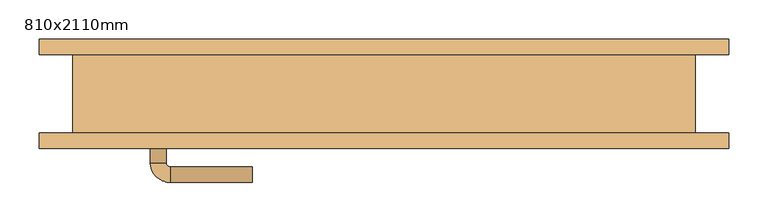
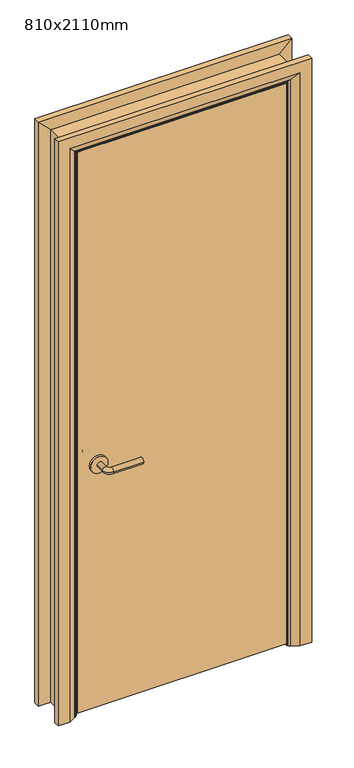
"""IFC4 building model written with IfcOpenShell, lengths in millimetres: door geometry, 810x2110mm."""

from ifc_helpers import new_model, si_unit, point, frame, frame_2d, origin, place, context, project, spatial, polyline, circle_curve, ellipse_curve, trimmed, segment, composite_curve, outline, extrude, faceted_brep, source, transform, mapped, element, save
from ifc_brep_helpers import plane_surface, cylinder_surface, revolved_surface, advanced_brep


def door_810x2110mm_39a6f47d(model_context):
    return source(origin(), model_context, "Body", "SolidModel", [
        advanced_brep(
        [(-298.0, -4.0, 900.0), (-278.0, -4.0, 900.0), (-298.0, 26.0, 900.0), (-278.0, 26.0, 900.0), (-273.0, 31.0, 900.0), (-273.0, 51.0, 900.0), (-168.0, 51.0, 900.0), (-168.0, 31.0, 900.0)],
        [
            (0, 1, circle_curve(frame((-288.0, -4.0, 900.0), z_axis=(0.0, -1.0, 0.0), x_axis=(1.0, 0.0, 0.0)), 10.0)),
            (1, 0, circle_curve(frame((-288.0, -4.0, 900.0), z_axis=(0.0, -1.0, 0.0), x_axis=(1.0, 0.0, 0.0)), 10.0)),
            (0, 2),
            (2, 3, circle_curve(frame((-288.0, 26.0, 900.0), z_axis=(0.0, -1.0, 0.0), x_axis=(1.0, 0.0, 0.0)), 10.0)),
            (3, 1),
            (3, 2, circle_curve(frame((-288.0, 26.0, 900.0), z_axis=(0.0, -1.0, 0.0), x_axis=(1.0, 0.0, 0.0)), 10.0)),
            (4, 3, circle_curve(frame((-273.0, 26.0, 900.0), z_axis=(0.0, 0.0, 1.0), x_axis=(-1.0, 0.0, 0.0)), 5.0)),
            (2, 5, circle_curve(frame((-273.0, 26.0, 900.0), z_axis=(0.0, 0.0, -1.0), x_axis=(-1.0, 0.0, 0.0)), 25.0)),
            (5, 4, circle_curve(frame((-273.0, 41.0, 900.0), z_axis=(-1.0, 0.0, 0.0), x_axis=(0.0, -1.0, 0.0)), 10.0)),
            (4, 5, circle_curve(frame((-273.0, 41.0, 900.0), z_axis=(-1.0, 0.0, 0.0), x_axis=(0.0, -1.0, 0.0)), 10.0)),
            (6, 7, circle_curve(frame((-168.0, 41.0, 900.0), z_axis=(1.0, 0.0, 0.0), x_axis=(0.0, -1.0, 0.0)), 10.0)),
            (7, 6, circle_curve(frame((-168.0, 41.0, 900.0), z_axis=(1.0, 0.0, 0.0), x_axis=(0.0, -1.0, 0.0)), 10.0)),
            (5, 6),
            (7, 4),
        ],
        [
            plane_surface(frame((-288.0, -4.0, 900.0), z_axis=(0.0, -1.0, 0.0), x_axis=(0.0, 0.0, 1.0))),
            cylinder_surface(frame((-288.0, -4.0, 900.0), z_axis=(0.0, -1.0, 0.0), x_axis=(1.0, 0.0, 0.0)), 10.0),
            revolved_surface(trimmed(ellipse_curve(frame((-288.0, 26.0, 900.0), z_axis=(0.0, -1.0, 0.0), x_axis=(1.0, 0.0, 0.0)), 10.0, 10.0), [point((-298.0, 26.0, 900.0))], [point((-278.0, 26.0, 900.0))], True, "CARTESIAN"), (-273.0, 26.0, 900.0), (0.0, 0.0, -1.0)),
            revolved_surface(trimmed(ellipse_curve(frame((-288.0, 26.0, 900.0), z_axis=(0.0, -1.0, 0.0), x_axis=(1.0, 0.0, 0.0)), 10.0, 10.0), [point((-278.0, 26.0, 900.0))], [point((-298.0, 26.0, 900.0))], True, "CARTESIAN"), (-273.0, 26.0, 900.0), (0.0, 0.0, -1.0)),
            plane_surface(frame((-168.0, 41.0, 900.0), z_axis=(1.0, 0.0, 0.0), x_axis=(0.0, 0.0, 1.0))),
            cylinder_surface(frame((-273.0, 41.0, 900.0), z_axis=(-1.0, 0.0, 0.0), x_axis=(0.0, -1.0, 0.0)), 10.0),
        ],
        [
            (0, [[1, 2]]),
            (1, [[-1, 3, 4, 5]]),
            (1, [[-2, -5, 6, -3]]),
            (2, [[7, -4, 8, 9]]),
            (3, [[-8, -6, -7, 10]]),
            (4, [[11, 12]]),
            (5, [[-9, 13, -12, 14]]),
            (5, [[-10, -14, -11, -13]]),
        ],
    ),
        extrude(outline(composite_curve([segment(trimmed(circle_curve(frame_2d((900.0, -290.5)), 30.0), [point((900.0, -320.5))], [point((900.0, -260.5))], False, "CARTESIAN"), True, "CONTINUOUS"), segment(trimmed(circle_curve(frame_2d((900.0, -290.5)), 30.0), [point((900.0, -260.5))], [point((900.0, -320.5))], False, "CARTESIAN"), True, "CONTINUOUS")], self_intersect=False)), frame((0.0, -12.0, 0.0), z_axis=(0.0, 1.0, 0.0), x_axis=(0.0, 0.0, 1.0)), (0.0, 0.0, 1.0), 8.0),
        advanced_brep(
        [(-298.0, -58.0, 900.0), (-278.0, -58.0, 900.0), (-278.0, -88.0, 900.0), (-298.0, -88.0, 900.0), (-273.0, -93.0, 900.0), (-273.0, -113.0, 900.0), (-168.0, -113.0, 900.0), (-168.0, -93.0, 900.0)],
        [
            (0, 1, circle_curve(frame((-288.0, -58.0, 900.0), z_axis=(0.0, 1.0, 0.0), x_axis=(1.0, 0.0, 0.0)), 10.0)),
            (1, 0, circle_curve(frame((-288.0, -58.0, 900.0), z_axis=(0.0, 1.0, 0.0), x_axis=(1.0, 0.0, 0.0)), 10.0)),
            (1, 2),
            (2, 3, circle_curve(frame((-288.0, -88.0, 900.0), z_axis=(0.0, 1.0, 0.0), x_axis=(1.0, 0.0, 0.0)), 10.0)),
            (3, 0),
            (3, 2, circle_curve(frame((-288.0, -88.0, 900.0), z_axis=(0.0, 1.0, 0.0), x_axis=(1.0, 0.0, 0.0)), 10.0)),
            (4, 5, circle_curve(frame((-273.0, -103.0, 900.0), z_axis=(-1.0, 0.0, 0.0), x_axis=(0.0, 1.0, 0.0)), 10.0)),
            (5, 3, circle_curve(frame((-273.0, -88.0, 900.0), z_axis=(0.0, 0.0, -1.0), x_axis=(-1.0, 0.0, 0.0)), 25.0)),
            (2, 4, circle_curve(frame((-273.0, -88.0, 900.0), z_axis=(0.0, 0.0, 1.0), x_axis=(-1.0, 0.0, 0.0)), 5.0)),
            (5, 4, circle_curve(frame((-273.0, -103.0, 900.0), z_axis=(-1.0, 0.0, 0.0), x_axis=(0.0, 1.0, 0.0)), 10.0)),
            (6, 7, circle_curve(frame((-168.0, -103.0, 900.0), z_axis=(1.0, 0.0, 0.0), x_axis=(0.0, 1.0, 0.0)), 10.0)),
            (7, 6, circle_curve(frame((-168.0, -103.0, 900.0), z_axis=(1.0, 0.0, 0.0), x_axis=(0.0, 1.0, 0.0)), 10.0)),
            (4, 7),
            (6, 5),
        ],
        [
            plane_surface(frame((-288.0, -58.0, 900.0), z_axis=(0.0, 1.0, 0.0), x_axis=(0.0, 0.0, 1.0))),
            cylinder_surface(frame((-288.0, -58.0, 900.0), z_axis=(0.0, 1.0, 0.0), x_axis=(1.0, 0.0, 0.0)), 10.0),
            revolved_surface(trimmed(ellipse_curve(frame((-288.0, -88.0, 900.0), z_axis=(0.0, -1.0, 0.0), x_axis=(1.0, 0.0, 0.0)), 10.0, 10.0), [point((-298.0, -88.0, 900.0))], [point((-278.0, -88.0, 900.0))], True, "CARTESIAN"), (-273.0, -88.0, 900.0), (0.0, 0.0, -1.0)),
            revolved_surface(trimmed(ellipse_curve(frame((-288.0, -88.0, 900.0), z_axis=(0.0, -1.0, 0.0), x_axis=(1.0, 0.0, 0.0)), 10.0, 10.0), [point((-278.0, -88.0, 900.0))], [point((-298.0, -88.0, 900.0))], True, "CARTESIAN"), (-273.0, -88.0, 900.0), (0.0, 0.0, -1.0)),
            plane_surface(frame((-168.0, -103.0, 900.0), z_axis=(1.0, 0.0, 0.0), x_axis=(0.0, 0.0, 1.0))),
            cylinder_surface(frame((-273.0, -103.0, 900.0), z_axis=(-1.0, 0.0, 0.0), x_axis=(0.0, 1.0, 0.0)), 10.0),
        ],
        [
            (0, [[1, 2]]),
            (1, [[3, 4, 5, -2]]),
            (1, [[-5, 6, -3, -1]]),
            (2, [[7, 8, -4, 9]]),
            (3, [[10, -9, -6, -8]]),
            (4, [[11, 12]]),
            (5, [[13, -11, 14, -7]]),
            (5, [[-14, -12, -13, -10]]),
        ],
    ),
        extrude(outline(composite_curve([segment(trimmed(circle_curve(frame_2d((900.0, -290.5)), 30.0), [point((900.0, -320.5))], [point((900.0, -260.5))], False, "CARTESIAN"), True, "CONTINUOUS"), segment(trimmed(circle_curve(frame_2d((900.0, -290.5)), 30.0), [point((900.0, -260.5))], [point((900.0, -320.5))], False, "CARTESIAN"), True, "CONTINUOUS")], self_intersect=False)), frame((0.0, -58.0, 0.0), z_axis=(0.0, 1.0, 0.0), x_axis=(0.0, 0.0, 1.0)), (0.0, 0.0, 1.0), 8.0),
        extrude(outline(polyline([(363.0, -12.0), (363.0, -50.0), (-363.0, -50.0), (-363.0, -12.0), (363.0, -12.0)])), frame((0.0, 0.0, 8.0), z_axis=(0.0, 0.0, 1.0), x_axis=(1.0, 0.0, 0.0)), (0.0, 0.0, 1.0), 2060.0),
        advanced_brep(
        [(440.0, -70.0, 0.0), (400.0, -70.0, 0.0), (374.0, -56.0, 0.0), (370.0, -50.0, 0.0), (440.0, -50.0, 0.0), (440.0, -50.0, 2145.0), (440.0, -70.0, 2145.0), (370.0, -50.0, 2075.0), (-370.0, -50.0, 2075.0), (-370.0, -50.0, 0.0), (-440.0, -50.0, 0.0), (-440.0, -50.0, 2145.0), (374.0, -56.0, 2079.0), (400.0, -70.0, 2105.0), (-440.0, -70.0, 2145.0), (-440.0, -70.0, 0.0), (-400.0, -70.0, 0.0), (-400.0, -70.0, 2105.0), (-374.0, -56.0, 2079.0), (-374.0, -56.0, 0.0)],
        [
            (0, 1),
            (1, 2),
            (2, 3, circle_curve(frame((378.0, -49.0, 0.0), z_axis=(0.0, 0.0, -1.0), x_axis=(1.0, 0.0, 0.0)), 8.0622577)),
            (3, 4),
            (4, 0),
            (4, 5),
            (5, 6),
            (6, 0),
            (3, 7),
            (7, 8),
            (8, 9),
            (9, 10),
            (10, 11),
            (11, 5),
            (2, 12),
            (12, 7, ellipse_curve(frame((378.0, -49.0, 2083.0), z_axis=(0.7071067811865475, 0.0, -0.7071067811865475), x_axis=(-0.7071067811865474, 0.0, -0.7071067811865476)), 11.4017543, 8.0622577)),
            (1, 13),
            (13, 12),
            (6, 14),
            (14, 15),
            (15, 16),
            (16, 17),
            (17, 13),
            (11, 14),
            (12, 18),
            (18, 8, ellipse_curve(frame((-378.0, -49.0, 2083.0), z_axis=(0.7071067811865475, 0.0, 0.7071067811865475), x_axis=(0.7071067811865476, 0.0, -0.7071067811865474)), 11.4017543, 8.0622577)),
            (17, 18),
            (15, 10),
            (9, 19, circle_curve(frame((-378.0, -49.0, 0.0), z_axis=(0.0, 0.0, -1.0), x_axis=(-1.0, 0.0, 0.0)), 8.0622577)),
            (19, 16),
            (18, 19),
        ],
        [
            plane_surface(frame((370.0, -50.0, 0.0), z_axis=(0.0, 0.0, -1.0), x_axis=(0.0, 1.0, 0.0))),
            plane_surface(frame((440.0, -70.0, 0.0), z_axis=(1.0, 0.0, 0.0), x_axis=(0.0, 0.0, 1.0))),
            plane_surface(frame((440.0, -50.0, 0.0), z_axis=(0.0, 1.0, 0.0), x_axis=(0.0, 0.0, 1.0))),
            cylinder_surface(frame((378.0, -49.0, 0.0), z_axis=(0.0, 0.0, -1.0), x_axis=(1.0, 0.0, 0.0)), 8.0622577),
            plane_surface(frame((374.0, -56.0, 0.0), z_axis=(-0.4740998230350126, -0.880471099922178, 0.0), x_axis=(0.0, 0.0, 1.0))),
            plane_surface(frame((400.0, -70.0, 0.0), z_axis=(0.0, -1.0, 0.0), x_axis=(0.0, 0.0, 1.0))),
            plane_surface(frame((440.0, -70.0, 2145.0), z_axis=(0.0, 0.0, 1.0), x_axis=(-1.0, 0.0, 0.0))),
            cylinder_surface(frame((370.0, -49.0, 2083.0), z_axis=(1.0, 0.0, 0.0), x_axis=(0.0, 0.0, 1.0)), 8.0622577),
            plane_surface(frame((374.0, -56.0, 2079.0), z_axis=(0.0, -0.8804710999221764, -0.4740998230350154), x_axis=(-1.0, 0.0, 0.0))),
            plane_surface(frame((-370.0, -50.0, 0.0), z_axis=(0.0, 0.0, -1.0), x_axis=(0.0, 1.0, 0.0))),
            plane_surface(frame((-440.0, -70.0, 2145.0), z_axis=(-1.0, 0.0, 0.0), x_axis=(0.0, 0.0, -1.0))),
            cylinder_surface(frame((-378.0, -49.0, 2075.0), z_axis=(0.0, 0.0, 1.0), x_axis=(-1.0, 0.0, 0.0)), 8.0622577),
            plane_surface(frame((-374.0, -56.0, 2079.0), z_axis=(0.47409982303501824, -0.8804710999221749, 0.0), x_axis=(0.0, 0.0, -1.0))),
        ],
        [
            (0, [[1, 2, 3, 4, 5]]),
            (1, [[6, 7, 8, -5]]),
            (2, [[9, 10, 11, 12, 13, 14, -6, -4]]),
            (3, [[15, 16, -9, -3]]),
            (4, [[17, 18, -15, -2]]),
            (5, [[-8, 19, 20, 21, 22, 23, -17, -1]]),
            (6, [[-14, 24, -19, -7]]),
            (7, [[25, 26, -10, -16]]),
            (8, [[-23, 27, -25, -18]]),
            (9, [[28, -12, 29, 30, -21]]),
            (10, [[-13, -28, -20, -24]]),
            (11, [[31, -29, -11, -26]]),
            (12, [[-22, -30, -31, -27]]),
        ],
    ),
        extrude(outline(polyline([(0.0, -346.0), (2051.0, -346.0), (2051.0, 346.0), (0.0, 346.0), (0.0, 365.0), (2070.0, 365.0), (2070.0, -365.0), (0.0, -365.0), (0.0, -346.0)])), frame((0.0, -10.0, 0.0), z_axis=(0.0, 1.0, 0.0), x_axis=(0.0, 0.0, 1.0)), (0.0, 0.0, 1.0), 32.0),
        advanced_brep(
        [(-440.0, 70.0, 0.0), (-400.0, 70.0, 0.0), (-374.0, 56.0, 0.0), (-370.0, 50.0, 0.0), (-440.0, 50.0, 0.0), (-440.0, 50.0, 2145.0), (-440.0, 70.0, 2145.0), (-370.0, 50.0, 2075.0), (-374.0, 56.0, 2079.0), (-400.0, 70.0, 2105.0), (440.0, 50.0, 2145.0), (440.0, 70.0, 2145.0), (370.0, 50.0, 2075.0), (374.0, 56.0, 2079.0), (400.0, 70.0, 2105.0), (440.0, 70.0, 0.0), (440.0, 50.0, 0.0), (370.0, 50.0, 0.0), (374.0, 56.0, 0.0), (400.0, 70.0, 0.0)],
        [
            (0, 1),
            (1, 2),
            (2, 3, circle_curve(frame((-378.0, 49.0, 0.0), z_axis=(0.0, 0.0, -1.0), x_axis=(-1.0, 0.0, 0.0)), 8.0622577)),
            (3, 4),
            (4, 0),
            (4, 5),
            (5, 6),
            (6, 0),
            (3, 7),
            (7, 5),
            (2, 8),
            (8, 7, ellipse_curve(frame((-378.0, 49.0, 2083.0), z_axis=(-0.7071067811865475, 0.0, -0.7071067811865475), x_axis=(0.7071067811865474, 0.0, -0.7071067811865476)), 11.4017543, 8.0622577)),
            (1, 9),
            (9, 8),
            (6, 9),
            (5, 10),
            (10, 11),
            (11, 6),
            (7, 12),
            (12, 10),
            (8, 13),
            (13, 12, ellipse_curve(frame((378.0, 49.0, 2083.0), z_axis=(-0.7071067811865475, 0.0, 0.7071067811865475), x_axis=(-0.7071067811865476, 0.0, -0.7071067811865474)), 11.4017543, 8.0622577)),
            (9, 14),
            (14, 13),
            (11, 14),
            (15, 16),
            (16, 17),
            (17, 18, circle_curve(frame((378.0, 49.0, 0.0), z_axis=(0.0, 0.0, -1.0), x_axis=(1.0, 0.0, 0.0)), 8.0622577)),
            (18, 19),
            (19, 15),
            (10, 16),
            (15, 11),
            (12, 17),
            (13, 18),
            (14, 19),
        ],
        [
            plane_surface(frame((-370.0, 122.8010989, 0.0), z_axis=(0.0, 0.0, -1.0), x_axis=(1.0, 0.0, 0.0))),
            plane_surface(frame((-440.0, 70.0, 0.0), z_axis=(-1.0, 0.0, 0.0), x_axis=(0.0, 0.0, 1.0))),
            plane_surface(frame((-440.0, 50.0, 0.0), z_axis=(0.0, -1.0, 0.0), x_axis=(0.0, 0.0, 1.0))),
            cylinder_surface(frame((-378.0, 49.0, 0.0), z_axis=(0.0, 0.0, -1.0), x_axis=(-1.0, 0.0, 0.0)), 8.0622577),
            plane_surface(frame((-374.0, 56.0, 0.0), z_axis=(0.4740998230350183, 0.8804710999221749, 0.0), x_axis=(0.0, 0.0, 1.0))),
            plane_surface(frame((-400.0, 70.0, 0.0), z_axis=(0.0, 1.0, 0.0), x_axis=(0.0, 0.0, 1.0))),
            plane_surface(frame((-440.0, 70.0, 2145.0), z_axis=(0.0, 0.0, 1.0), x_axis=(1.0, 0.0, 0.0))),
            plane_surface(frame((-440.0, 50.0, 2145.0), z_axis=(0.0, -1.0, 0.0), x_axis=(1.0, 0.0, 0.0))),
            cylinder_surface(frame((-370.0, 49.0, 2083.0), z_axis=(-1.0, 0.0, 0.0), x_axis=(0.0, 0.0, 1.0)), 8.0622577),
            plane_surface(frame((-374.0, 56.0, 2079.0), z_axis=(0.0, 0.8804710999221749, -0.4740998230350183), x_axis=(1.0, 0.0, 0.0))),
            plane_surface(frame((-400.0, 70.0, 2105.0), z_axis=(0.0, 1.0, 0.0), x_axis=(1.0, 0.0, 0.0))),
            plane_surface(frame((370.0, 122.8010989, 0.0), z_axis=(0.0, 0.0, -1.0), x_axis=(-1.0, 0.0, 0.0))),
            plane_surface(frame((440.0, 70.0, 2145.0), z_axis=(1.0, 0.0, 0.0), x_axis=(0.0, 0.0, -1.0))),
            plane_surface(frame((440.0, 50.0, 2145.0), z_axis=(0.0, -1.0, 0.0), x_axis=(0.0, 0.0, -1.0))),
            cylinder_surface(frame((378.0, 49.0, 2075.0), z_axis=(0.0, 0.0, 1.0), x_axis=(1.0, 0.0, 0.0)), 8.0622577),
            plane_surface(frame((374.0, 56.0, 2079.0), z_axis=(-0.4740998230350183, 0.8804710999221749, 0.0), x_axis=(0.0, 0.0, -1.0))),
            plane_surface(frame((400.0, 70.0, 2105.0), z_axis=(0.0, 1.0, 0.0), x_axis=(0.0, 0.0, -1.0))),
        ],
        [
            (0, [[1, 2, 3, 4, 5]]),
            (1, [[6, 7, 8, -5]]),
            (2, [[9, 10, -6, -4]]),
            (3, [[11, 12, -9, -3]]),
            (4, [[13, 14, -11, -2]]),
            (5, [[-8, 15, -13, -1]]),
            (6, [[16, 17, 18, -7]]),
            (7, [[19, 20, -16, -10]]),
            (8, [[21, 22, -19, -12]]),
            (9, [[23, 24, -21, -14]]),
            (10, [[-18, 25, -23, -15]]),
            (11, [[26, 27, 28, 29, 30]]),
            (12, [[31, -26, 32, -17]]),
            (13, [[33, -27, -31, -20]]),
            (14, [[34, -28, -33, -22]]),
            (15, [[35, -29, -34, -24]]),
            (16, [[-32, -30, -35, -25]]),
        ],
    ),
        faceted_brep([(-365.0, -50.0, 0.0), (-397.0, -50.0, 0.0), (-397.0, 50.0, 0.0), (-365.0, 50.0, 0.0), (-365.0, 50.0, 2070.0), (-365.0, -50.0, 2070.0), (-397.0, 50.0, 2102.0), (-397.0, -50.0, 2102.0), (365.0, 50.0, 2070.0), (365.0, -50.0, 2070.0), (397.0, 50.0, 2102.0), (397.0, -50.0, 2102.0), (365.0, -50.0, 0.0), (365.0, 50.0, 0.0), (397.0, 50.0, 0.0), (397.0, -50.0, 0.0)], [[[0, 1, 2, 3]], [[3, 4, 5, 0]], [[2, 6, 4, 3]], [[1, 7, 6, 2]], [[0, 5, 7, 1]], [[4, 8, 9, 5]], [[6, 10, 8, 4]], [[7, 11, 10, 6]], [[5, 9, 11, 7]], [[12, 13, 14, 15]], [[8, 13, 12, 9]], [[10, 14, 13, 8]], [[11, 15, 14, 10]], [[9, 12, 15, 11]]]),
    ])


if __name__ == "__main__":
    model = new_model("IFC4")
    model_context = context("Model", 3, world=origin())
    ifc_project = project(units=[si_unit("LENGTHUNIT", "METRE", prefix="MILLI")], contexts=[model_context])
    site = spatial("IfcSite", under=ifc_project)
    building = spatial("IfcBuilding", under=site)
    placement = place(None, origin())
    door_810x2110mm_shape = door_810x2110mm_39a6f47d(model_context)
    element("IfcDoor", 1, ObjectType="810x2110mm", at=placement, inside=building, context=model_context, shape_type="MappedRepresentation", body=[
        mapped(door_810x2110mm_shape, transform((0.0, 0.0, 0.0), x_axis=(1.0, 0.0, 0.0), y_axis=(0.0, 1.0, 0.0), z_axis=(0.0, 0.0, 1.0))),
    ])
    save(model, "model.ifc")
